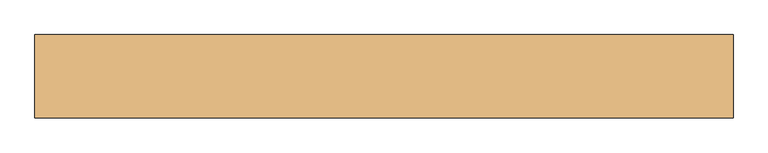
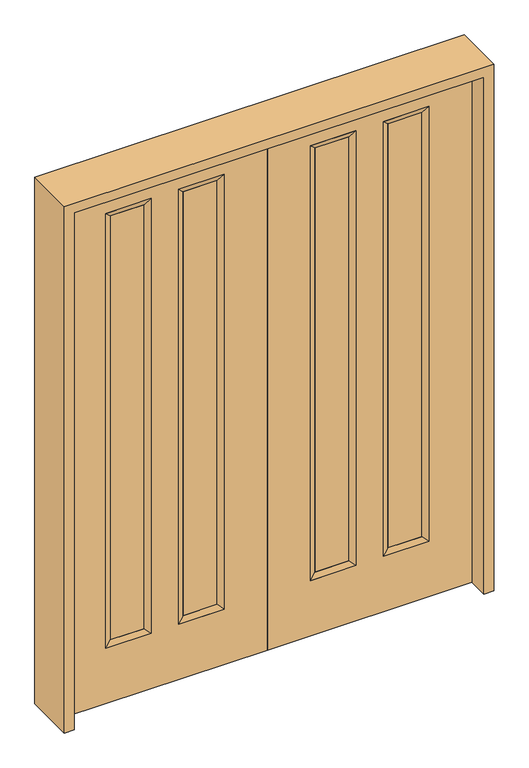
"""IFC4 building model written with IfcOpenShell, lengths in millimetres: door geometry."""

from ifc_helpers import new_model, si_unit, frame, origin, place, context, project, spatial, polyline, outline, extrude, faceted_brep, source, transform, mapped, element, save


def door_5d43f586(model_context):
    return source(origin(), model_context, "Body", "SolidModel", [
        faceted_brep([(-721.614, 22.225, 2311.4), (-518.414, 22.225, 2311.4), (-543.814, 14.2875, 2286.0), (-696.214, 14.2875, 2286.0), (-543.814, -12.7039749, 2286.0), (-696.214, -12.7039749, 2286.0), (-518.414, -22.225, 2311.4), (-721.614, -22.225, 2311.4), (-518.414, 22.225, 260.35), (-543.814, 14.2875, 285.75), (-543.814, -12.7039749, 285.75), (-518.414, -22.225, 260.35), (-721.614, 22.225, 260.35), (-696.214, 14.2875, 285.75), (-696.214, -12.7039749, 285.75), (-721.614, -22.225, 260.35)], [[[0, 1, 2, 3]], [[3, 2, 4, 5]], [[5, 4, 6, 7]], [[7, 6, 1, 0]], [[1, 8, 9, 2]], [[2, 9, 10, 4]], [[4, 10, 11, 6]], [[6, 11, 8, 1]], [[8, 12, 13, 9]], [[9, 13, 14, 10]], [[10, 14, 15, 11]], [[11, 15, 12, 8]], [[12, 0, 3, 13]], [[13, 3, 5, 14]], [[14, 5, 7, 15]], [[15, 7, 0, 12]]]),
        faceted_brep([(-218.186, 14.2875, 2286.0), (-370.586, 14.2875, 2286.0), (-395.986, 22.225, 2311.4), (-192.786, 22.225, 2311.4), (-218.186, -12.7039749, 2286.0), (-370.586, -12.7039749, 2286.0), (-192.786, -22.225, 2311.4), (-395.986, -22.225, 2311.4), (-370.586, 14.2875, 285.75), (-395.986, 22.225, 260.35), (-370.586, -12.7039749, 285.75), (-395.986, -22.225, 260.35), (-218.186, 14.2875, 285.75), (-192.786, 22.225, 260.35), (-218.186, -12.7039749, 285.75), (-192.786, -22.225, 260.35)], [[[0, 1, 2, 3]], [[4, 5, 1, 0]], [[6, 7, 5, 4]], [[3, 2, 7, 6]], [[1, 8, 9, 2]], [[5, 10, 8, 1]], [[7, 11, 10, 5]], [[2, 9, 11, 7]], [[8, 12, 13, 9]], [[10, 14, 12, 8]], [[11, 15, 14, 10]], [[9, 13, 15, 11]], [[12, 0, 3, 13]], [[14, 4, 0, 12]], [[15, 6, 4, 14]], [[13, 3, 6, 15]]]),
        extrude(outline(polyline([(0.0, 0.0), (2438.4, 0.0), (2438.4, -914.4), (0.0, -914.4), (0.0, 0.0)]), holes=[polyline([(260.35, -192.786), (260.35, -395.986), (2311.4, -395.986), (2311.4, -192.786), (260.35, -192.786)]), polyline([(260.35, -518.414), (260.35, -721.614), (2311.4, -721.614), (2311.4, -518.414), (260.35, -518.414)])]), frame((0.0, -22.225, 0.0), z_axis=(0.0, 1.0, 0.0), x_axis=(0.0, 0.0, 1.0)), (0.0, 0.0, 1.0), 44.45),
        extrude(outline(polyline([(-370.586, -12.7039749), (-370.586, 14.2875), (-218.186, 14.2875), (-218.186, -12.7039749), (-370.586, -12.7039749)])), frame((0.0, 0.0, 285.75), z_axis=(0.0, 0.0, 1.0), x_axis=(1.0, 0.0, 0.0)), (0.0, 0.0, 1.0), 2000.25),
        extrude(outline(polyline([(-696.214, -12.7039749), (-696.214, 14.2875), (-543.814, 14.2875), (-543.814, -12.7039749), (-696.214, -12.7039749)])), frame((0.0, 0.0, 285.75), z_axis=(0.0, 0.0, 1.0), x_axis=(1.0, 0.0, 0.0)), (0.0, 0.0, 1.0), 2000.25),
        faceted_brep([(721.614, 22.225, 2311.4), (696.214, 14.2875, 2286.0), (543.814, 14.2875, 2286.0), (518.414, 22.225, 2311.4), (696.214, -12.7039749, 2286.0), (543.814, -12.7039749, 2286.0), (721.614, -22.225, 2311.4), (518.414, -22.225, 2311.4), (543.814, 14.2875, 285.75), (518.414, 22.225, 260.35), (543.814, -12.7039749, 285.75), (518.414, -22.225, 260.35), (696.214, 14.2875, 285.75), (721.614, 22.225, 260.35), (696.214, -12.7039749, 285.75), (721.614, -22.225, 260.35)], [[[0, 1, 2, 3]], [[1, 4, 5, 2]], [[4, 6, 7, 5]], [[6, 0, 3, 7]], [[3, 2, 8, 9]], [[2, 5, 10, 8]], [[5, 7, 11, 10]], [[7, 3, 9, 11]], [[9, 8, 12, 13]], [[8, 10, 14, 12]], [[10, 11, 15, 14]], [[11, 9, 13, 15]], [[13, 12, 1, 0]], [[12, 14, 4, 1]], [[14, 15, 6, 4]], [[15, 13, 0, 6]]]),
        faceted_brep([(218.186, 14.2875, 2286.0), (192.786, 22.225, 2311.4), (395.986, 22.225, 2311.4), (370.586, 14.2875, 2286.0), (218.186, -12.7039749, 2286.0), (370.586, -12.7039749, 2286.0), (192.786, -22.225, 2311.4), (395.986, -22.225, 2311.4), (395.986, 22.225, 260.35), (370.586, 14.2875, 285.75), (370.586, -12.7039749, 285.75), (395.986, -22.225, 260.35), (192.786, 22.225, 260.35), (218.186, 14.2875, 285.75), (218.186, -12.7039749, 285.75), (192.786, -22.225, 260.35)], [[[0, 1, 2, 3]], [[4, 0, 3, 5]], [[6, 4, 5, 7]], [[1, 6, 7, 2]], [[3, 2, 8, 9]], [[5, 3, 9, 10]], [[7, 5, 10, 11]], [[2, 7, 11, 8]], [[9, 8, 12, 13]], [[10, 9, 13, 14]], [[11, 10, 14, 15]], [[8, 11, 15, 12]], [[13, 12, 1, 0]], [[14, 13, 0, 4]], [[15, 14, 4, 6]], [[12, 15, 6, 1]]]),
        extrude(outline(polyline([(0.0, 0.0), (0.0, 914.4), (2438.4, 914.4), (2438.4, 0.0), (0.0, 0.0)]), holes=[polyline([(260.35, 192.786), (2311.4, 192.786), (2311.4, 395.986), (260.35, 395.986), (260.35, 192.786)]), polyline([(260.35, 518.414), (2311.4, 518.414), (2311.4, 721.614), (260.35, 721.614), (260.35, 518.414)])]), frame((0.0, -22.225, 0.0), z_axis=(0.0, 1.0, 0.0), x_axis=(0.0, 0.0, 1.0)), (0.0, 0.0, 1.0), 44.45),
        extrude(outline(polyline([(370.586, -12.7039749), (218.186, -12.7039749), (218.186, 14.2875), (370.586, 14.2875), (370.586, -12.7039749)])), frame((0.0, 0.0, 285.75), z_axis=(0.0, 0.0, 1.0), x_axis=(1.0, 0.0, 0.0)), (0.0, 0.0, 1.0), 2000.25),
        extrude(outline(polyline([(696.214, -12.7039749), (543.814, -12.7039749), (543.814, 14.2875), (696.214, 14.2875), (696.214, -12.7039749)])), frame((0.0, 0.0, 285.75), z_axis=(0.0, 0.0, 1.0), x_axis=(1.0, 0.0, 0.0)), (0.0, 0.0, 1.0), 2000.25),
        extrude(outline(polyline([(0.0, -958.85), (0.0, -914.4), (2438.4, -914.4), (2438.4, 914.4), (0.0, 914.4), (0.0, 958.85), (2482.85, 958.85), (2482.85, -958.85), (0.0, -958.85)])), frame((0.0, -114.3, 0.0), z_axis=(0.0, 1.0, 0.0), x_axis=(0.0, 0.0, 1.0)), (0.0, 0.0, 1.0), 228.6),
    ])


if __name__ == "__main__":
    model = new_model("IFC4")
    model_context = context("Model", 3, world=origin())
    ifc_project = project(units=[si_unit("LENGTHUNIT", "METRE", prefix="MILLI")], contexts=[model_context])
    site = spatial("IfcSite", under=ifc_project)
    building = spatial("IfcBuilding", under=site)
    placement = place(None, origin())
    door_shape = door_5d43f586(model_context)
    element("IfcDoor", 1, at=placement, inside=building, context=model_context, shape_type="MappedRepresentation", body=[
        mapped(door_shape, transform((0.0, 0.0, 0.0), x_axis=(1.0, 0.0, 0.0), y_axis=(0.0, 1.0, 0.0), z_axis=(0.0, 0.0, 1.0))),
    ])
    save(model, "model.ifc")
